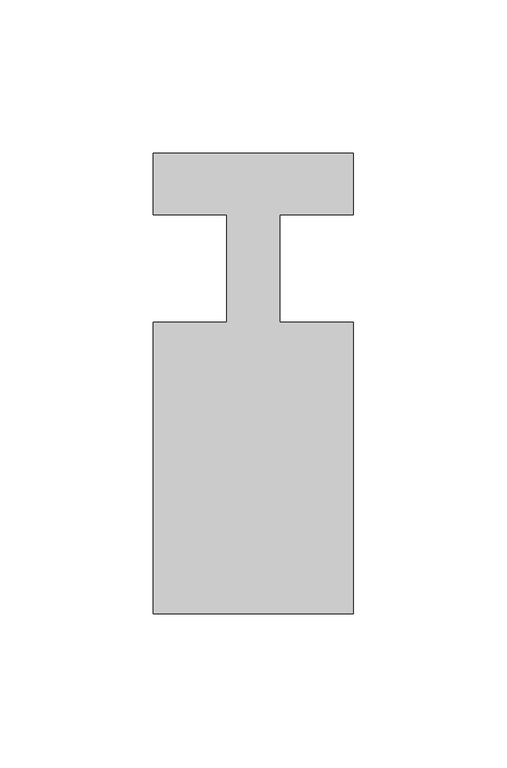
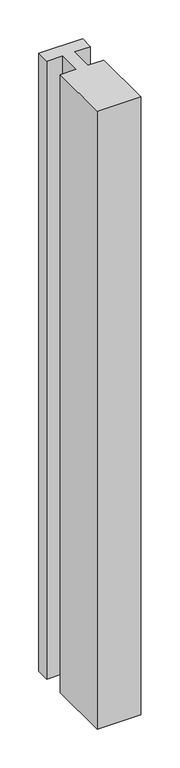
"""IFC4 building model written with IfcOpenShell, lengths in millimetres: member geometry."""

from ifc_helpers import new_model, si_unit, frame, origin, place, context, project, spatial, polyline, outline, extrude, source, transform, mapped, element, save


def member_27fb64c2(model_context):
    return source(origin(), model_context, "Body", "SweptSolid", [
        extrude(outline(polyline([(-65.0, 37.0), (0.0, 37.0), (0.0, 17.0), (-23.8125, 17.0), (-23.8125, -18.0), (0.0, -18.0), (0.0, -113.0), (-65.0, -113.0), (-65.0, -18.0), (-41.1875, -18.0), (-41.1875, 17.0), (-65.0, 17.0), (-65.0, 37.0)])), frame((0.0, 0.0, -971.6666667), z_axis=(0.0, 0.0, 1.0), x_axis=(1.0, 0.0, 0.0)), (0.0, 0.0, 1.0), 971.6666667),
    ])


if __name__ == "__main__":
    model = new_model("IFC4")
    model_context = context("Model", 3, world=origin())
    ifc_project = project(units=[si_unit("LENGTHUNIT", "METRE", prefix="MILLI")], contexts=[model_context])
    site = spatial("IfcSite", under=ifc_project)
    building = spatial("IfcBuilding", under=site)
    placement = place(None, origin())
    member_shape = member_27fb64c2(model_context)
    element("IfcMember", 1, at=placement, inside=building, context=model_context, shape_type="MappedRepresentation", body=[
        mapped(member_shape, transform((0.0, 0.0, 0.0), x_axis=(1.0, 0.0, 0.0), y_axis=(0.0, 1.0, 0.0), z_axis=(0.0, 0.0, 1.0))),
    ])
    save(model, "model.ifc")
